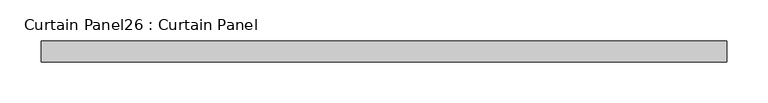
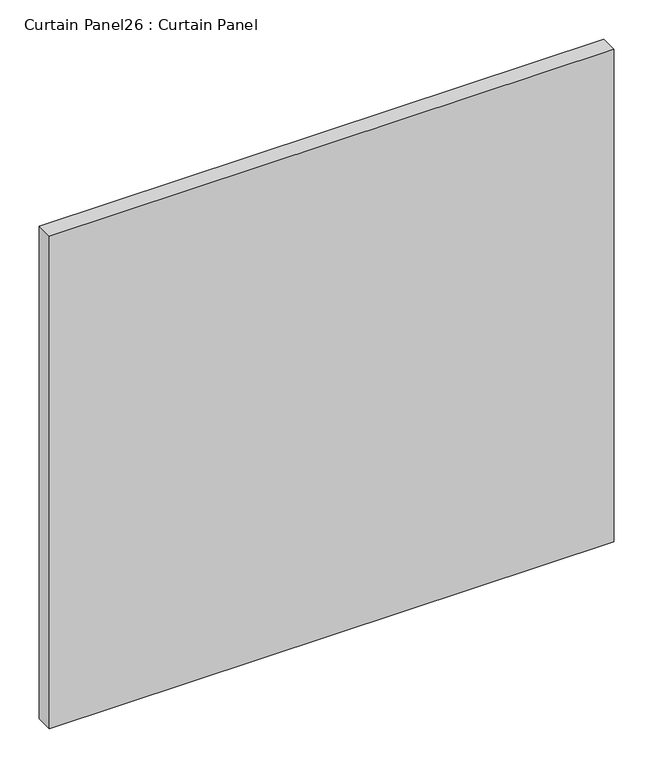
"""IFC4 building model written with IfcOpenShell, lengths in millimetres: plate geometry, Curtain Panel26 : Curtain Panel."""

from ifc_helpers import new_model, si_unit, frame, origin, place, context, project, spatial, polyline, outline, extrude, source, transform, mapped, element, save


def curtain_panel26_curtain_panel_2562fb39(model_context):
    return source(origin(), model_context, "Body", "SweptSolid", [
        extrude(outline(polyline([(53370.7903075, 2514.0505002), (52538.8538481, 2514.0505002), (52538.8538481, 2539.4505002), (53370.7903075, 2539.4505002), (53370.7903075, 2514.0505002)])), frame((0.0, 0.0, -632.8626169), z_axis=(0.0, 0.0, 1.0), x_axis=(1.0, 0.0, 0.0)), (0.0, 0.0, 1.0), 766.8043538),
    ])


if __name__ == "__main__":
    model = new_model("IFC4")
    model_context = context("Model", 3, world=origin())
    ifc_project = project(units=[si_unit("LENGTHUNIT", "METRE", prefix="MILLI")], contexts=[model_context])
    site = spatial("IfcSite", under=ifc_project)
    building = spatial("IfcBuilding", under=site)
    placement = place(None, origin())
    curtain_panel26_curtain_panel_shape = curtain_panel26_curtain_panel_2562fb39(model_context)
    element("IfcPlate", 1, ObjectType="Curtain Panel26 : Curtain Panel", at=placement, inside=building, context=model_context, shape_type="MappedRepresentation", body=[
        mapped(curtain_panel26_curtain_panel_shape, transform((0.0, 0.0, 0.0), x_axis=(1.0, 0.0, 0.0), y_axis=(0.0, 1.0, 0.0), z_axis=(0.0, 0.0, 1.0))),
    ])
    save(model, "model.ifc")
